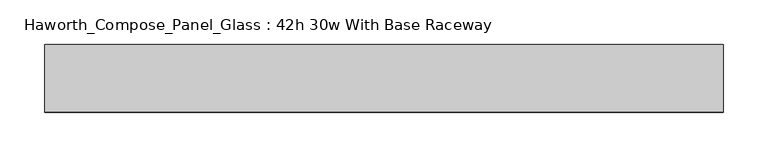
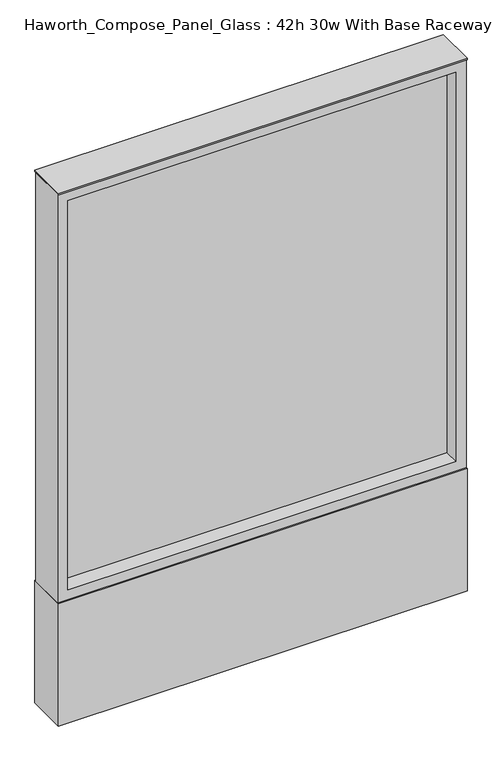
"""IFC4 building model written with IfcOpenShell, lengths in millimetres: furniture geometry, Haworth_Compose_Panel_Glass : 42h 30w With Base Raceway."""

from ifc_helpers import new_model, si_unit, point, frame, frame_2d, origin, origin_with_axes, place, context, project, spatial, polyline, circle_curve, trimmed, segment, composite_curve, outline, extrude, source, transform, mapped, element, save


def haworth_compose_panel_glass_42h_30w_with_base_raceway_565eeccb(model_context):
    return source(origin(), model_context, "Body", "SweptSolid", [
        extrude(outline(composite_curve([segment(trimmed(circle_curve(frame_2d((307.2402902, 0.0)), 12.7), [point((294.5402902, 0.0))], [point((319.9402902, 0.0))], False, "CARTESIAN"), True, "CONTINUOUS"), segment(trimmed(circle_curve(frame_2d((307.2402902, 0.0)), 12.7), [point((319.9402902, 0.0))], [point((294.5402902, 0.0))], False, "CARTESIAN"), True, "CONTINUOUS")], self_intersect=False)), origin_with_axes(), (0.0, 0.0, 1.0), 12.7),
        extrude(outline(composite_curve([segment(trimmed(circle_curve(frame_2d((-302.3597098, 0.0)), 12.7), [point((-315.0597098, 0.0))], [point((-289.6597098, 0.0))], False, "CARTESIAN"), True, "CONTINUOUS"), segment(trimmed(circle_curve(frame_2d((-302.3597098, 0.0)), 12.7), [point((-289.6597098, 0.0))], [point((-315.0597098, 0.0))], False, "CARTESIAN"), True, "CONTINUOUS")], self_intersect=False)), origin_with_axes(), (0.0, 0.0, 1.0), 12.7),
        extrude(outline(polyline([(364.3902902, -6.35), (-359.5097098, -6.35), (-359.5097098, 6.35), (364.3902902, 6.35), (364.3902902, -6.35)])), frame((0.0, 0.0, 273.05), z_axis=(0.0, 0.0, 1.0), x_axis=(1.0, 0.0, 0.0)), (0.0, 0.0, 1.0), 768.35),
        extrude(outline(polyline([(1060.45, -378.5597098), (254.0, -378.5597098), (254.0, 383.4402902), (1060.45, 383.4402902), (1060.45, -378.5597098)]), holes=[polyline([(1041.4, 364.3902902), (273.05, 364.3902902), (273.05, -359.5097098), (1041.4, -359.5097098), (1041.4, 364.3902902)])]), frame((0.0, -34.925, 0.0), z_axis=(0.0, 1.0, 0.0), x_axis=(0.0, 0.0, 1.0)), (0.0, 0.0, 1.0), 69.85),
        extrude(outline(polyline([(-378.5597098, 38.1), (383.4402902, 38.1), (383.4402902, -38.1), (-378.5597098, -38.1), (-378.5597098, 38.1)])), frame((0.0, 0.0, 12.7), z_axis=(0.0, 0.0, 1.0), x_axis=(1.0, 0.0, 0.0)), (0.0, 0.0, 1.0), 241.3),
        extrude(outline(polyline([(-378.5597098, -38.1), (-378.5597098, 38.1), (383.4402902, 38.1), (383.4402902, -38.1), (-378.5597098, -38.1)])), frame((0.0, 0.0, 1060.45), z_axis=(0.0, 0.0, 1.0), x_axis=(1.0, 0.0, 0.0)), (0.0, 0.0, 1.0), 3.175),
    ])


if __name__ == "__main__":
    model = new_model("IFC4")
    model_context = context("Model", 3, world=origin())
    ifc_project = project(units=[si_unit("LENGTHUNIT", "METRE", prefix="MILLI")], contexts=[model_context])
    site = spatial("IfcSite", under=ifc_project)
    building = spatial("IfcBuilding", under=site)
    placement = place(None, origin())
    haworth_compose_panel_glass_42h_30w_with_base_raceway_shape = haworth_compose_panel_glass_42h_30w_with_base_raceway_565eeccb(model_context)
    element("IfcFurniture", 1, ObjectType="Haworth_Compose_Panel_Glass : 42h 30w With Base Raceway", at=placement, inside=building, context=model_context, shape_type="MappedRepresentation", body=[
        mapped(haworth_compose_panel_glass_42h_30w_with_base_raceway_shape, transform((0.0, 0.0, 0.0), x_axis=(1.0, 0.0, 0.0), y_axis=(0.0, 1.0, 0.0), z_axis=(0.0, 0.0, 1.0))),
    ])
    save(model, "model.ifc")
